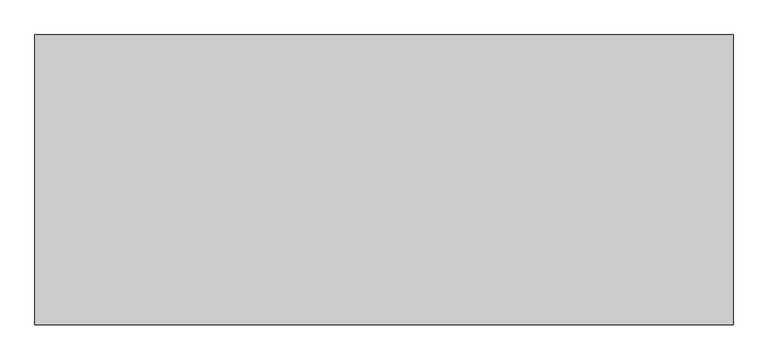
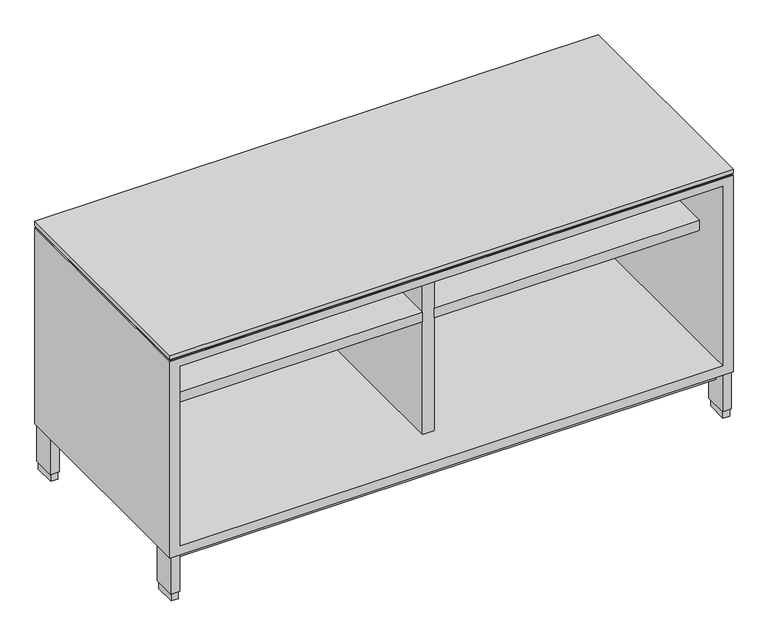
"""IFC4 building model written with IfcOpenShell, lengths in millimetres: furniture geometry."""

from ifc_helpers import new_model, si_unit, frame, origin, origin_with_axes, place, context, project, spatial, polyline, outline, extrude, faceted_brep, source, transform, mapped, element, save


def furniture_dd6bfaac(model_context):
    return source(origin(), model_context, "Body", "SolidModel", [
        extrude(outline(polyline([(596.265, -419.2524), (23.8125, -419.2524), (23.8125, -23.749), (596.265, -23.749), (596.265, -419.2524)])), frame((0.0, 0.0, 380.111), z_axis=(0.0, 0.0, 1.0), x_axis=(1.0, 0.0, 0.0)), (0.0, 0.0, 1.0), 22.225),
        extrude(outline(polyline([(1195.3875, -419.2524), (622.935, -419.2524), (622.935, -23.749), (1195.3875, -23.749), (1195.3875, -419.2524)])), frame((0.0, 0.0, 380.111), z_axis=(0.0, 0.0, 1.0), x_axis=(1.0, 0.0, 0.0)), (0.0, 0.0, 1.0), 22.225),
        extrude(outline(polyline([(21.2979, -5.715), (21.2979, -52.197), (6.5659, -52.197), (6.5659, -5.715), (21.2979, -5.715)])), origin_with_axes(), (0.0, 0.0, 1.0), 17.399),
        extrude(outline(polyline([(1212.6341, -5.715), (1212.6341, -52.197), (1197.9021, -52.197), (1197.9021, -5.715), (1212.6341, -5.715)])), origin_with_axes(), (0.0, 0.0, 1.0), 17.399),
        extrude(outline(polyline([(1212.6341, -456.057), (1212.6341, -502.539), (1197.9021, -502.539), (1197.9021, -456.057), (1212.6341, -456.057)])), origin_with_axes(), (0.0, 0.0, 1.0), 17.399),
        extrude(outline(polyline([(21.2979, -456.057), (21.2979, -502.539), (6.5659, -502.539), (6.5659, -456.057), (21.2979, -456.057)])), origin_with_axes(), (0.0, 0.0, 1.0), 17.399),
        extrude(outline(polyline([(23.4569, -3.556), (23.4569, -54.356), (4.4069, -54.356), (4.4069, -3.556), (23.4569, -3.556)])), frame((0.0, 0.0, 17.399), z_axis=(0.0, 0.0, 1.0), x_axis=(1.0, 0.0, 0.0)), (0.0, 0.0, 1.0), 84.709),
        extrude(outline(polyline([(1214.7931, -3.556), (1214.7931, -54.356), (1195.7431, -54.356), (1195.7431, -3.556), (1214.7931, -3.556)])), frame((0.0, 0.0, 17.399), z_axis=(0.0, 0.0, 1.0), x_axis=(1.0, 0.0, 0.0)), (0.0, 0.0, 1.0), 84.709),
        extrude(outline(polyline([(1214.7931, -453.898), (1214.7931, -504.698), (1195.7431, -504.698), (1195.7431, -453.898), (1214.7931, -453.898)])), frame((0.0, 0.0, 17.399), z_axis=(0.0, 0.0, 1.0), x_axis=(1.0, 0.0, 0.0)), (0.0, 0.0, 1.0), 84.709),
        extrude(outline(polyline([(23.4569, -453.898), (23.4569, -504.698), (4.4069, -504.698), (4.4069, -453.898), (23.4569, -453.898)])), frame((0.0, 0.0, 17.399), z_axis=(0.0, 0.0, 1.0), x_axis=(1.0, 0.0, 0.0)), (0.0, 0.0, 1.0), 84.709),
        extrude(outline(polyline([(1216.914, -504.444), (3.8735, -504.444), (3.8735, -2.3114), (1216.914, -2.3114), (1216.914, -504.444)])), frame((0.0, 0.0, 549.783), z_axis=(0.0, 0.0, 1.0), x_axis=(1.0, 0.0, 0.0)), (0.0, 0.0, 1.0), 1.905),
        extrude(outline(polyline([(1217.6125, -506.349), (1.5875, -506.349), (1.5875, -1.524), (1217.6125, -1.524), (1217.6125, -506.349)])), frame((0.0, 0.0, 554.863), z_axis=(0.0, 0.0, 1.0), x_axis=(1.0, 0.0, 0.0)), (0.0, 0.0, 1.0), 9.525),
        extrude(outline(polyline([(622.3, -419.2524), (596.9, -419.2524), (596.9, -23.749), (622.3, -23.749), (622.3, -419.2524)])), frame((0.0, 0.0, 122.7582), z_axis=(0.0, 0.0, 1.0), x_axis=(1.0, 0.0, 0.0)), (0.0, 0.0, 1.0), 409.5496),
        extrude(outline(polyline([(1195.7431, -480.5537946), (23.4569, -480.5537946), (23.4569, -26.9983538), (1195.7431, -26.9983538), (1195.7431, -480.5537946)])), frame((0.0, 0.0, 76.708), z_axis=(0.0, 0.0, 1.0), x_axis=(1.0, 0.0, 0.0)), (0.0, 0.0, 1.0), 25.4),
        faceted_brep([(1217.6125, -506.349, 549.783), (1.5875, -506.349, 549.783), (1.5875, -506.349, 102.108), (1217.6125, -506.349, 102.108), (23.8125, -506.349, 532.3078), (1195.3875, -506.349, 532.3078), (1195.3875, -506.349, 122.7582), (23.8125, -506.349, 122.7582), (1217.6125, -1.524, 549.783), (1217.6125, -1.524, 102.108), (1.5875, -1.524, 102.108), (1.5875, -1.524, 549.783), (1195.3875, -23.749, 532.3078), (23.8125, -23.749, 532.3078), (23.8125, -23.749, 122.7582), (1195.3875, -23.749, 122.7582)], [[[0, 1, 2, 3], [4, 5, 6, 7]], [[8, 9, 10, 11]], [[1, 0, 8, 11]], [[2, 1, 11, 10]], [[3, 2, 10, 9]], [[0, 3, 9, 8]], [[12, 13, 14, 15]], [[13, 12, 5, 4]], [[14, 13, 4, 7]], [[15, 14, 7, 6]], [[12, 15, 6, 5]]]),
    ])


if __name__ == "__main__":
    model = new_model("IFC4")
    model_context = context("Model", 3, world=origin())
    ifc_project = project(units=[si_unit("LENGTHUNIT", "METRE", prefix="MILLI")], contexts=[model_context])
    site = spatial("IfcSite", under=ifc_project)
    building = spatial("IfcBuilding", under=site)
    placement = place(None, origin())
    furniture_shape = furniture_dd6bfaac(model_context)
    element("IfcFurniture", 1, at=placement, inside=building, context=model_context, shape_type="MappedRepresentation", body=[
        mapped(furniture_shape, transform((0.0, 0.0, 0.0), x_axis=(1.0, 0.0, 0.0), y_axis=(0.0, 1.0, 0.0), z_axis=(0.0, 0.0, 1.0))),
    ])
    save(model, "model.ifc")
